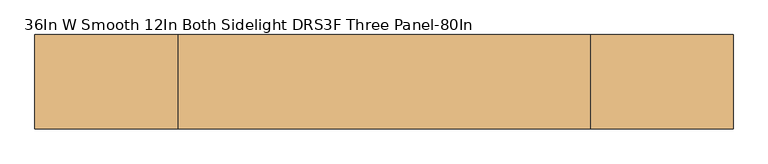
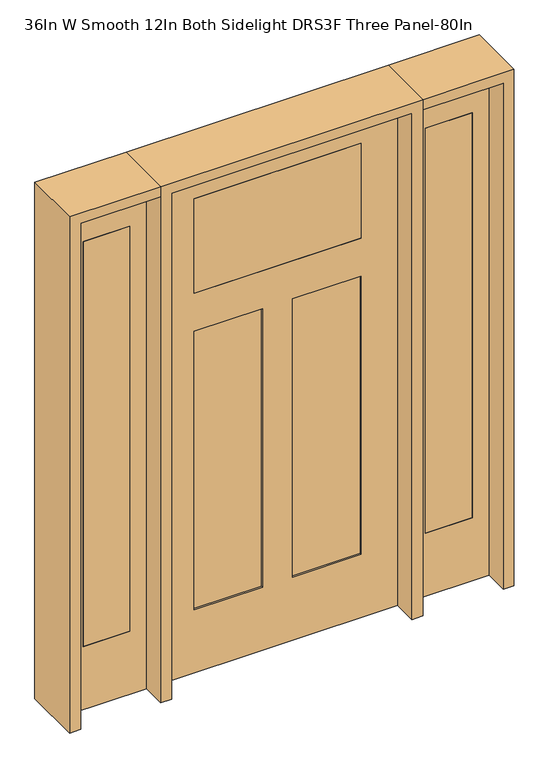
"""IFC4 building model written with IfcOpenShell, lengths in millimetres: door geometry, 36In W Smooth 12In Both Sidelight DRS3F Three Panel-80In."""

from ifc_helpers import new_model, si_unit, frame, origin, place, context, project, spatial, polyline, outline, extrude, faceted_brep, source, transform, mapped, element, save


def door_36in_w_smooth_12in_both_sidelight_drs3f_three_panel_e4682814(model_context):
    return source(origin(), model_context, "Body", "SolidModel", [
        extrude(outline(polyline([(561.975, -20.6375), (561.975, 20.6375), (739.775, 20.6375), (739.775, -20.6375), (561.975, -20.6375)])), frame((0.0, 0.0, 254.0), z_axis=(0.0, 0.0, 1.0), x_axis=(1.0, 0.0, 0.0)), (0.0, 0.0, 1.0), 1625.6),
        extrude(outline(polyline([(0.0, 803.275), (2032.0, 803.275), (2032.0, 498.475), (0.0, 498.475), (0.0, 803.275)]), holes=[polyline([(1879.6, 561.975), (1879.6, 739.775), (254.0, 739.775), (254.0, 561.975), (1879.6, 561.975)])]), frame((0.0, -20.6375, 0.0), z_axis=(0.0, 1.0, 0.0), x_axis=(0.0, 0.0, 1.0)), (0.0, 0.0, 1.0), 41.275),
        extrude(outline(polyline([(-561.975, -20.6375), (-739.775, -20.6375), (-739.775, 20.6375), (-561.975, 20.6375), (-561.975, -20.6375)])), frame((0.0, 0.0, 254.0), z_axis=(0.0, 0.0, 1.0), x_axis=(1.0, 0.0, 0.0)), (0.0, 0.0, 1.0), 1625.6),
        extrude(outline(polyline([(0.0, -803.275), (0.0, -498.475), (2032.0, -498.475), (2032.0, -803.275), (0.0, -803.275)]), holes=[polyline([(1879.6, -561.975), (254.0, -561.975), (254.0, -739.775), (1879.6, -739.775), (1879.6, -561.975)])]), frame((0.0, -20.6375, 0.0), z_axis=(0.0, 1.0, 0.0), x_axis=(0.0, 0.0, 1.0)), (0.0, 0.0, 1.0), 41.275),
        faceted_brep([(457.2, 20.6375, 0.0), (457.2, -20.6375, 0.0), (-457.2, -20.6375, 0.0), (-457.2, 20.6375, 0.0), (457.2, 20.6375, 2032.0), (457.2, -20.6375, 2032.0), (-457.2, -20.6375, 2032.0), (-317.5, -20.6375, 1905.0), (317.5, -20.6375, 1905.0), (317.5, -20.6375, 1524.0), (-317.5, -20.6375, 1524.0), (-317.5, -20.6375, 1371.6), (-57.15, -20.6375, 1371.6), (-57.15, -20.6375, 254.0), (-317.5, -20.6375, 254.0), (57.15, -20.6375, 1371.6), (317.5, -20.6375, 1371.6), (317.5, -20.6375, 254.0), (57.15, -20.6375, 254.0), (-457.2, 20.6375, 2032.0), (-57.15, 20.6375, 1371.6), (-317.5, 20.6375, 1371.6), (-317.5, 20.6375, 254.0), (-57.15, 20.6375, 254.0), (317.5, 20.6375, 1371.6), (57.15, 20.6375, 1371.6), (57.15, 20.6375, 254.0), (317.5, 20.6375, 254.0), (317.5, 20.6375, 1905.0), (-317.5, 20.6375, 1905.0), (-317.5, 20.6375, 1524.0), (317.5, 20.6375, 1524.0), (-317.5, 14.2875, 1371.6), (-317.5, 14.2875, 254.0), (-57.15, 14.2875, 254.0), (-57.15, 14.2875, 1371.6), (57.15, 14.2875, 1371.6), (57.15, 14.2875, 254.0), (317.5, 14.2875, 254.0), (317.5, 14.2875, 1371.6), (-57.15, -14.2875, 1371.6), (-57.15, -14.2875, 254.0), (-317.5, -14.2875, 254.0), (-317.5, -14.2875, 1371.6), (317.5, -14.2875, 1371.6), (317.5, -14.2875, 254.0), (57.15, -14.2875, 254.0), (57.15, -14.2875, 1371.6)], [[[0, 1, 2, 3]], [[4, 5, 1, 0]], [[5, 6, 2, 1], [7, 8, 9, 10], [11, 12, 13, 14], [15, 16, 17, 18]], [[6, 19, 3, 2]], [[19, 4, 0, 3], [20, 21, 22, 23], [24, 25, 26, 27], [28, 29, 30, 31]], [[4, 19, 6, 5]], [[32, 33, 22, 21]], [[33, 34, 23, 22]], [[34, 35, 20, 23]], [[36, 37, 26, 25]], [[37, 38, 27, 26]], [[38, 39, 24, 27]], [[40, 41, 13, 12]], [[41, 42, 14, 13]], [[42, 43, 11, 14]], [[44, 45, 17, 16]], [[45, 46, 18, 17]], [[46, 47, 15, 18]], [[40, 43, 42, 41]], [[44, 47, 46, 45]], [[35, 34, 33, 32]], [[39, 38, 37, 36]], [[7, 29, 28, 8]], [[29, 7, 10, 30]], [[30, 10, 9, 31]], [[8, 28, 31, 9]], [[43, 40, 12, 11]], [[47, 44, 16, 15]], [[35, 32, 21, 20]], [[39, 36, 25, 24]]]),
        extrude(outline(polyline([(317.5, -20.6375), (-317.5, -20.6375), (-317.5, 20.6375), (317.5, 20.6375), (317.5, -20.6375)])), frame((0.0, 0.0, 1524.0), z_axis=(0.0, 0.0, 1.0), x_axis=(1.0, 0.0, 0.0)), (0.0, 0.0, 1.0), 381.0),
        extrude(outline(polyline([(2032.0, -498.475), (2073.275, -498.475), (2073.275, -844.55), (0.0, -844.55), (0.0, -803.275), (2032.0, -803.275), (2032.0, -498.475)])), frame((0.0, -114.3, 0.0), z_axis=(0.0, 1.0, 0.0), x_axis=(0.0, 0.0, 1.0)), (0.0, 0.0, 1.0), 228.6),
        extrude(outline(polyline([(2073.275, -498.475), (0.0, -498.475), (0.0, -457.2), (2032.0, -457.2), (2032.0, 457.2), (0.0, 457.2), (0.0, 498.475), (2073.275, 498.475), (2073.275, -498.475)])), frame((0.0, -114.3, 0.0), z_axis=(0.0, 1.0, 0.0), x_axis=(0.0, 0.0, 1.0)), (0.0, 0.0, 1.0), 228.6),
        extrude(outline(polyline([(0.0, 803.275), (0.0, 844.55), (2073.275, 844.55), (2073.275, 498.475), (2032.0, 498.475), (2032.0, 803.275), (0.0, 803.275)])), frame((0.0, -114.3, 0.0), z_axis=(0.0, 1.0, 0.0), x_axis=(0.0, 0.0, 1.0)), (0.0, 0.0, 1.0), 228.6),
    ])


if __name__ == "__main__":
    model = new_model("IFC4")
    model_context = context("Model", 3, world=origin())
    ifc_project = project(units=[si_unit("LENGTHUNIT", "METRE", prefix="MILLI")], contexts=[model_context])
    site = spatial("IfcSite", under=ifc_project)
    building = spatial("IfcBuilding", under=site)
    placement = place(None, origin())
    door_36in_w_smooth_12in_both_sidelight_drs3f_three_panel_shape = door_36in_w_smooth_12in_both_sidelight_drs3f_three_panel_e4682814(model_context)
    element("IfcDoor", 1, ObjectType="36In W Smooth 12In Both Sidelight DRS3F Three Panel-80In", at=placement, inside=building, context=model_context, shape_type="MappedRepresentation", body=[
        mapped(door_36in_w_smooth_12in_both_sidelight_drs3f_three_panel_shape, transform((0.0, 0.0, 0.0), x_axis=(1.0, 0.0, 0.0), y_axis=(0.0, 1.0, 0.0), z_axis=(0.0, 0.0, 1.0))),
    ])
    save(model, "model.ifc")
